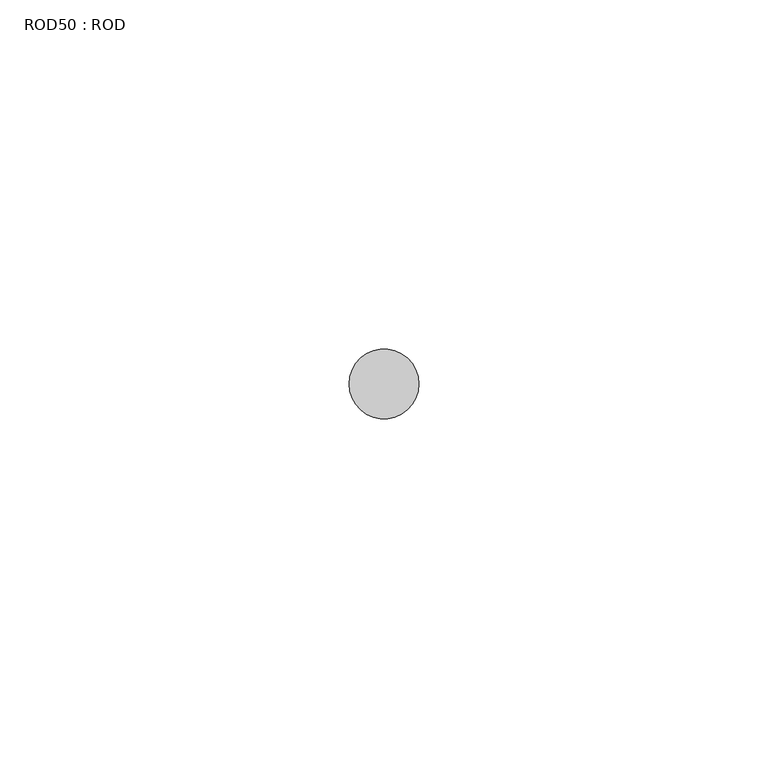
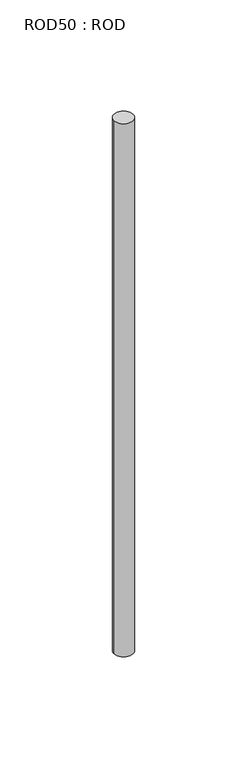
"""IFC4 building model written with IfcOpenShell, lengths in millimetres: proxy geometry, ROD50 : ROD."""

from ifc_helpers import new_model, si_unit, point, frame, frame_2d, origin, place, context, project, spatial, circle_curve, trimmed, segment, composite_curve, outline, extrude, source, transform, mapped, element, save


def rod50_rod_e15b299d(model_context):
    return source(origin(), model_context, "Body", "SweptSolid", [
        extrude(outline(composite_curve([segment(trimmed(circle_curve(frame_2d((4832.7784384, -1114.6300853)), 5.0), [point((4827.7784384, -1114.6300853))], [point((4837.7784384, -1114.6300853))], False, "CARTESIAN"), True, "CONTINUOUS"), segment(trimmed(circle_curve(frame_2d((4832.7784384, -1114.6300853)), 5.0), [point((4837.7784384, -1114.6300853))], [point((4827.7784384, -1114.6300853))], False, "CARTESIAN"), True, "CONTINUOUS")], self_intersect=False)), frame((0.0, 0.0, -208.6608845), z_axis=(0.0, 0.0, 1.0), x_axis=(1.0, 0.0, 0.0)), (0.0, 0.0, 1.0), 298.9028972),
    ])


if __name__ == "__main__":
    model = new_model("IFC4")
    model_context = context("Model", 3, world=origin())
    ifc_project = project(units=[si_unit("LENGTHUNIT", "METRE", prefix="MILLI")], contexts=[model_context])
    site = spatial("IfcSite", under=ifc_project)
    building = spatial("IfcBuilding", under=site)
    placement = place(None, origin())
    rod50_rod_shape = rod50_rod_e15b299d(model_context)
    element("IfcBuildingElementProxy", 1, Name="ROD50 : ROD", ObjectType="ROD50 : ROD", at=placement, inside=building, context=model_context, shape_type="MappedRepresentation", body=[
        mapped(rod50_rod_shape, transform((0.0, 0.0, 0.0), x_axis=(1.0, 0.0, 0.0), y_axis=(0.0, 1.0, 0.0), z_axis=(0.0, 0.0, 1.0))),
    ])
    save(model, "model.ifc")
